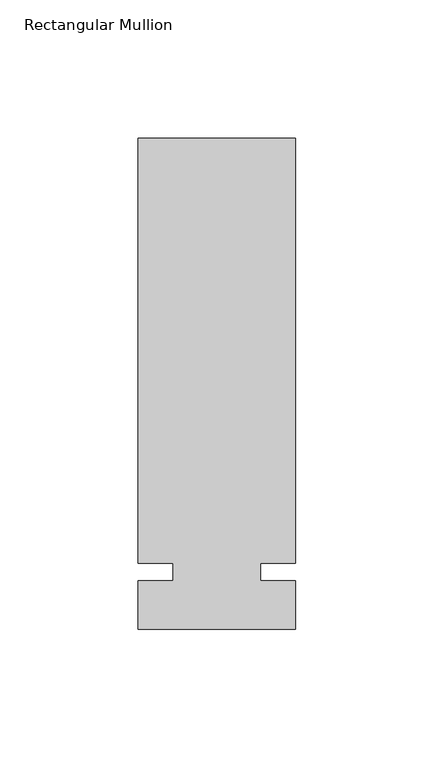
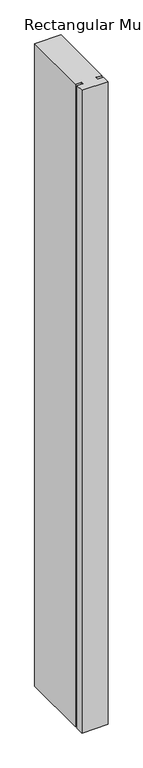
"""IFC4 building model written with IfcOpenShell, lengths in millimetres: member geometry, Rectangular Mullion."""

from ifc_helpers import new_model, si_unit, frame, origin, place, context, project, spatial, polyline, outline, extrude, source, transform, mapped, element, save


def rectangular_mullion_bfa60cad(model_context):
    return source(origin(), model_context, "Body", "SweptSolid", [
        extrude(outline(polyline([(32.9094027, 157.1625), (32.9094027, 3.175), (20.2076322, 3.175), (20.2076322, -3.175), (32.9094027, -3.175), (32.9094027, -20.6375), (-24.2405973, -20.6375), (-24.2405973, -3.175), (-11.5405973, -3.175), (-11.5405973, 3.175), (-24.2405973, 3.175), (-24.2405973, 157.1625), (32.9094027, 157.1625)])), frame((0.0, 0.0, -1478.28), z_axis=(0.0, 0.0, 1.0), x_axis=(1.0, 0.0, 0.0)), (0.0, 0.0, 1.0), 1478.28),
    ])


if __name__ == "__main__":
    model = new_model("IFC4")
    model_context = context("Model", 3, world=origin())
    ifc_project = project(units=[si_unit("LENGTHUNIT", "METRE", prefix="MILLI")], contexts=[model_context])
    site = spatial("IfcSite", under=ifc_project)
    building = spatial("IfcBuilding", under=site)
    placement = place(None, origin())
    rectangular_mullion_shape = rectangular_mullion_bfa60cad(model_context)
    element("IfcMember", 1, ObjectType="Rectangular Mullion", at=placement, inside=building, context=model_context, shape_type="MappedRepresentation", body=[
        mapped(rectangular_mullion_shape, transform((0.0, 0.0, 0.0), x_axis=(1.0, 0.0, 0.0), y_axis=(0.0, 1.0, 0.0), z_axis=(0.0, 0.0, 1.0))),
    ])
    save(model, "model.ifc")
